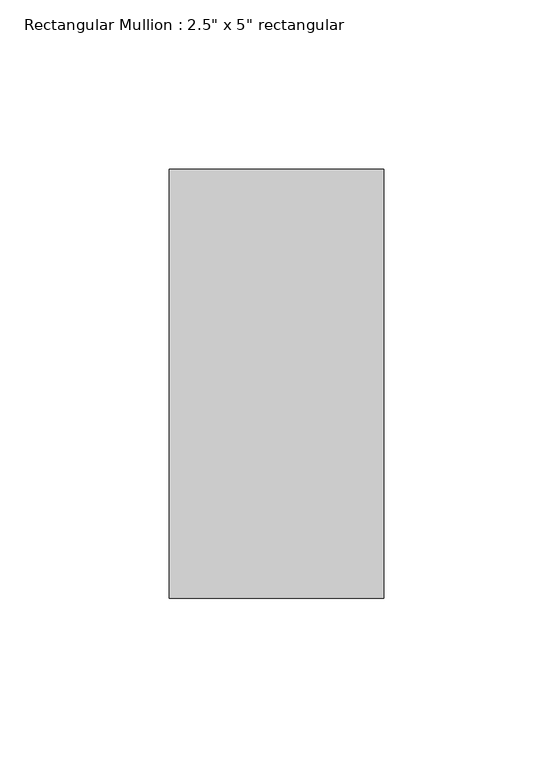
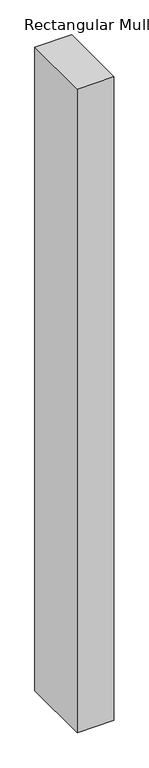
"""IFC4 building model written with IfcOpenShell, lengths in millimetres: member geometry."""

from ifc_helpers import new_model, si_unit, frame, origin, place, context, project, spatial, polyline, outline, extrude, source, transform, mapped, element, save


def member_f7013095(model_context):
    return source(origin(), model_context, "Body", "SweptSolid", [
        extrude(outline(polyline([(0.0, 63.5), (0.0, -63.5), (-63.5, -63.5), (-63.5, 63.5), (0.0, 63.5)])), frame((0.0, 0.0, -1178.325), z_axis=(0.0, 0.0, 1.0), x_axis=(1.0, 0.0, 0.0)), (0.0, 0.0, 1.0), 1178.325),
    ])


if __name__ == "__main__":
    model = new_model("IFC4")
    model_context = context("Model", 3, world=origin())
    ifc_project = project(units=[si_unit("LENGTHUNIT", "METRE", prefix="MILLI")], contexts=[model_context])
    site = spatial("IfcSite", under=ifc_project)
    building = spatial("IfcBuilding", under=site)
    placement = place(None, origin())
    member_shape = member_f7013095(model_context)
    element("IfcMember", 1, ObjectType="Rectangular Mullion : 2.5\" x 5\" rectangular", at=placement, inside=building, context=model_context, shape_type="MappedRepresentation", body=[
        mapped(member_shape, transform((0.0, 0.0, 0.0), x_axis=(1.0, 0.0, 0.0), y_axis=(0.0, 1.0, 0.0), z_axis=(0.0, 0.0, 1.0))),
    ])
    save(model, "model.ifc")
